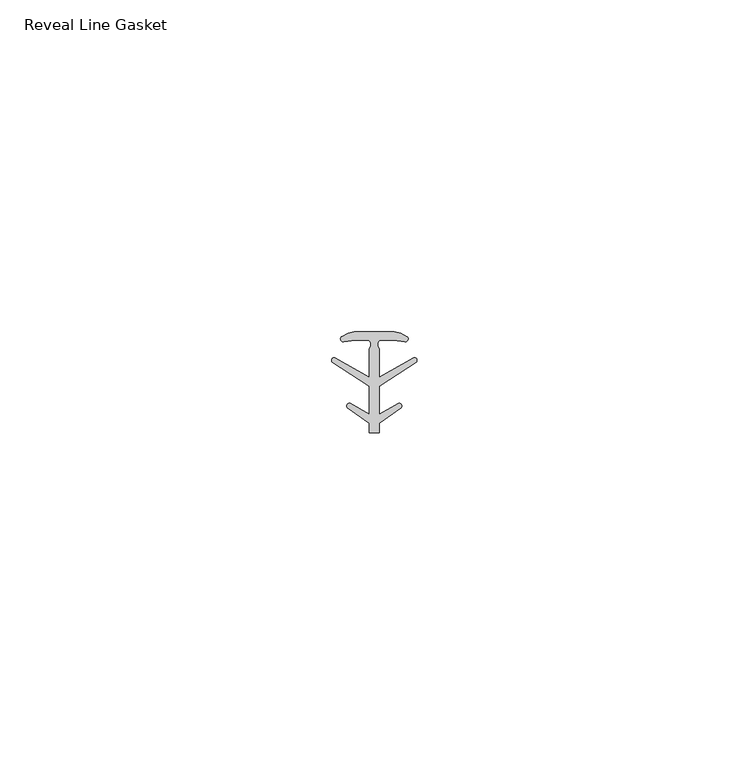
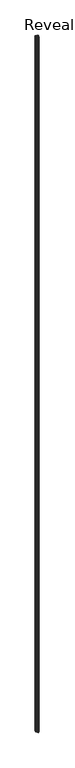
"""IFC4 building model written with IfcOpenShell, lengths in millimetres: proxy geometry, Reveal Line Gasket."""

from ifc_helpers import new_model, si_unit, point, frame, frame_2d, origin, place, context, project, spatial, polyline, circle_curve, trimmed, segment, composite_curve, outline, extrude, source, transform, mapped, element, save


def reveal_line_gasket_d9aaac5b(model_context):
    return source(origin(), model_context, "Body", "SweptSolid", [
        extrude(outline(composite_curve([segment(polyline([(2.999107, 7.6326998), (3.9545998, 7.4091917), (4.8875754, 6.8813059)]), True, "CONTINUOUS"), segment(trimmed(circle_curve(frame_2d((4.6855864, 6.5243141)), 0.4101739), [point((4.8875754, 6.8813059))], [point((4.5932418, 6.1246704))], False, "CARTESIAN"), True, "CONTINUOUS"), segment(polyline([(4.5932418, 6.1246704), (2.8970156, 6.3626997), (0.8645598, 6.3626997)]), True, "CONTINUOUS"), segment(trimmed(circle_curve(frame_2d((1.2810328, 5.6959605)), 0.786124), [point((0.8645598, 6.3626997))], [point((0.7769821, 5.0926996))], True, "CARTESIAN"), True, "CONTINUOUS"), segment(polyline([(0.7769821, 5.0926996), (0.7769821, 0.7492996), (5.9386365, 3.7293824)]), True, "CONTINUOUS"), segment(trimmed(circle_curve(frame_2d((6.0040832, 3.3132479)), 0.4212495), [point((5.9386365, 3.7293824))], [point((6.3317429, 3.0485022))], False, "CARTESIAN"), True, "CONTINUOUS"), segment(polyline([(6.3317429, 3.0485022), (0.7769821, -0.5742594), (0.7769821, -4.8262978), (3.6526367, -3.1660374)]), True, "CONTINUOUS"), segment(trimmed(circle_curve(frame_2d((3.7109925, -3.5978728)), 0.4357605), [point((3.6526367, -3.1660374))], [point((4.0557951, -3.864328))], False, "CARTESIAN"), True, "CONTINUOUS"), segment(polyline([(4.0557951, -3.864328), (0.7769821, -6.1944059), (0.7769821, -7.6326998), (-0.778768, -7.6326998), (-0.778768, -6.1944059), (-4.0575811, -3.864328)]), True, "CONTINUOUS"), segment(trimmed(circle_curve(frame_2d((-3.7127785, -3.5978728)), 0.4357605), [point((-4.0575811, -3.864328))], [point((-3.6544226, -3.1660374))], False, "CARTESIAN"), True, "CONTINUOUS"), segment(polyline([(-3.6544226, -3.1660374), (-0.778768, -4.8262978), (-0.778768, -0.5742594), (-6.3335288, 3.0485022)]), True, "CONTINUOUS"), segment(trimmed(circle_curve(frame_2d((-6.0058691, 3.3132479)), 0.4212495), [point((-6.3335288, 3.0485022))], [point((-5.9404224, 3.7293824))], False, "CARTESIAN"), True, "CONTINUOUS"), segment(polyline([(-5.9404224, 3.7293824), (-0.778768, 0.7492996), (-0.778768, 5.0926996)]), True, "CONTINUOUS"), segment(trimmed(circle_curve(frame_2d((-1.2828188, 5.6959605)), 0.786124), [point((-0.778768, 5.0926996))], [point((-0.8663457, 6.3626997))], True, "CARTESIAN"), True, "CONTINUOUS"), segment(polyline([(-0.8663457, 6.3626997), (-2.8988015, 6.3626997), (-4.5950277, 6.1246704)]), True, "CONTINUOUS"), segment(trimmed(circle_curve(frame_2d((-4.6873723, 6.5243141)), 0.4101739), [point((-4.5950277, 6.1246704))], [point((-4.8893614, 6.8813059))], False, "CARTESIAN"), True, "CONTINUOUS"), segment(polyline([(-4.8893614, 6.8813059), (-3.9563857, 7.4091917), (-3.000893, 7.6326998), (2.999107, 7.6326998)]), True, "CONTINUOUS")], self_intersect=False)), frame((0.0, 0.0, 84.836), z_axis=(0.0, 0.0, 1.0), x_axis=(1.0, 0.0, 0.0)), (0.0, 0.0, 1.0), 2953.6883742),
    ])


if __name__ == "__main__":
    model = new_model("IFC4")
    model_context = context("Model", 3, world=origin())
    ifc_project = project(units=[si_unit("LENGTHUNIT", "METRE", prefix="MILLI")], contexts=[model_context])
    site = spatial("IfcSite", under=ifc_project)
    building = spatial("IfcBuilding", under=site)
    placement = place(None, origin())
    reveal_line_gasket_shape = reveal_line_gasket_d9aaac5b(model_context)
    element("IfcBuildingElementProxy", 1, Name="Reveal Line Gasket", ObjectType="Reveal Line Gasket", at=placement, inside=building, context=model_context, shape_type="MappedRepresentation", body=[
        mapped(reveal_line_gasket_shape, transform((0.0, 0.0, 0.0), x_axis=(1.0, 0.0, 0.0), y_axis=(0.0, 1.0, 0.0), z_axis=(0.0, 0.0, 1.0))),
    ])
    save(model, "model.ifc")
